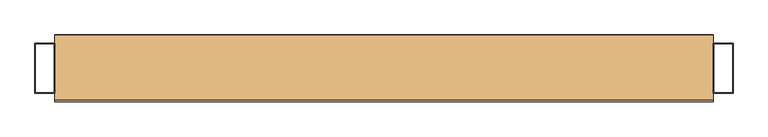
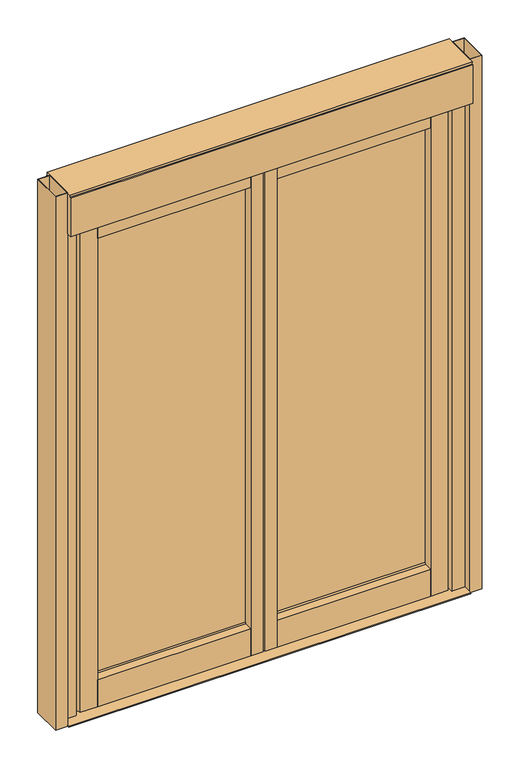
"""IFC4 building model written with IfcOpenShell, lengths in millimetres: door geometry."""

from ifc_helpers import new_model, si_unit, point, frame, frame_2d, origin, origin_with_axes, place, context, project, spatial, polyline, circle_curve, trimmed, segment, composite_curve, outline, extrude, source, transform, mapped, element, save
from ifc_brep_helpers import plane_surface, revolved_surface, advanced_brep


def door_8d15b1d3(model_context):
    return source(origin(), model_context, "Body", "SolidModel", [
        extrude(outline(composite_curve([segment(polyline([(622.0165313, -25.0), (622.0165313, 24.9979293), (686.5286975, 24.9979293)]), True, "CONTINUOUS"), segment(trimmed(circle_curve(frame_2d((631.0682418, -0.0146792)), 60.8398943), [point((686.5286975, 24.9979293))], [point((691.9081361, -0.0146917))], False, "CARTESIAN"), True, "CONTINUOUS"), segment(trimmed(circle_curve(frame_2d((631.0682418, -0.0146808)), 60.8398943), [point((691.9081361, -0.0146917))], [point((686.5409969, -25.0))], False, "CARTESIAN"), True, "CONTINUOUS"), segment(polyline([(686.5409969, -25.0), (622.0165313, -25.0)]), True, "CONTINUOUS")], self_intersect=False)), frame((0.0, 0.0, 12.0), z_axis=(0.0, 0.0, 1.0), x_axis=(1.0, 0.0, 0.0)), (0.0, 0.0, 1.0), 1926.0),
        extrude(outline(polyline([(4.5165313, -24.9979293), (4.5165313, 24.9979293), (49.5165313, 24.9979293), (49.5165313, -24.9979293), (4.5165313, -24.9979293)])), frame((0.0, 0.0, 12.0), z_axis=(0.0, 0.0, 1.0), x_axis=(1.0, 0.0, 0.0)), (0.0, 0.0, 1.0), 1926.0),
        extrude(outline(composite_curve([segment(polyline([(-620.0165313, 25.0), (-620.0165313, -24.9979293), (-684.5286975, -24.9979293)]), True, "CONTINUOUS"), segment(trimmed(circle_curve(frame_2d((-629.0682418, 0.0146792)), 60.8398943), [point((-684.5286975, -24.9979293))], [point((-689.9081361, 0.0146816))], False, "CARTESIAN"), True, "CONTINUOUS"), segment(trimmed(circle_curve(frame_2d((-629.0682418, 0.0146808)), 60.8398943), [point((-689.9081361, 0.0146816))], [point((-684.5409969, 25.0))], False, "CARTESIAN"), True, "CONTINUOUS"), segment(polyline([(-684.5409969, 25.0), (-620.0165313, 25.0)]), True, "CONTINUOUS")], self_intersect=False)), frame((0.0, 0.0, 12.0), z_axis=(0.0, 0.0, 1.0), x_axis=(1.0, 0.0, 0.0)), (0.0, 0.0, 1.0), 1926.0),
        extrude(outline(polyline([(-2.5165313, -25.0), (-47.5165313, -25.0), (-47.5165313, 25.0), (-2.5165313, 25.0), (-2.5165313, -25.0)])), frame((0.0, 0.0, 12.0), z_axis=(0.0, 0.0, 1.0), x_axis=(1.0, 0.0, 0.0)), (0.0, 0.0, 1.0), 1926.0),
        extrude(outline(polyline([(750.0, 22.1903618), (750.0, -64.1323759), (-750.0, -64.1323759), (-750.0, 22.1903618), (750.0, 22.1903618)])), frame((0.0, 0.0, -0.0536091), z_axis=(0.0, 0.0, 1.0), x_axis=(1.0, 0.0, 0.0)), (0.0, 0.0, 1.0), 4.0533649),
        extrude(outline(polyline([(-795.0, 56.9501305), (-750.0, 56.9501305), (-750.0, -56.9501305), (-795.0, -56.9501305), (-795.0, 56.9501305)]), holes=[polyline([(-793.0, -54.9501305), (-752.0, -54.9501305), (-752.0, 54.9501305), (-793.0, 54.9501305), (-793.0, -54.9501305)])]), origin_with_axes(), (0.0, 0.0, 1.0), 2100.0),
        extrude(outline(polyline([(795.0, 56.9501305), (795.0, -56.9501305), (750.0, -56.9501305), (750.0, 56.9501305), (795.0, 56.9501305)]), holes=[polyline([(793.0, -54.9501305), (793.0, 54.9501305), (752.0, 54.9501305), (752.0, -54.9501305), (793.0, -54.9501305)])]), origin_with_axes(), (0.0, 0.0, 1.0), 2100.0),
        extrude(outline(polyline([(-25.0037342, 12.0), (-25.0037342, 117.8752671), (7.4860808, 117.8752671), (10.6022281, 123.9926379), (10.6022281, 105.5592695), (16.6022281, 105.5592695), (16.6022281, 121.7335018), (18.5689602, 117.8640927), (24.9905166, 117.8640927), (24.9905166, 12.0), (-25.0037342, 12.0)])), frame((49.5165313, 0.0, 0.0), z_axis=(1.0, 0.0, 0.0), x_axis=(0.0, 1.0, 0.0)), (0.0, 0.0, 1.0), 572.5),
        extrude(outline(polyline([(622.0165313, 16.6022281), (622.0165313, 10.6022281), (49.5165313, 10.6022281), (49.5165313, 16.6022281), (622.0165313, 16.6022281)])), frame((0.0, 0.0, 105.5592695), z_axis=(0.0, 0.0, 1.0), x_axis=(1.0, 0.0, 0.0)), (0.0, 0.0, 1.0), 1769.0402689),
        advanced_brep(
        [(49.5165313, -24.9979293, 1938.0036364), (49.5165313, 24.9905166, 1938.0036364), (49.5165313, 24.9905166, 1856.3987159), (49.5165313, 23.4794939, 1856.3987159), (49.5165313, 16.6022281, 1851.805727), (49.5165313, 16.6022281, 1874.5995385), (49.5165313, 10.6022281, 1874.5995385), (49.5165313, 10.6022281, 1851.0557384), (49.5165313, -3.2995978, 1856.3744221), (49.5165313, -24.9979293, 1856.3987159), (622.0165313, -24.9979293, 1938.0036364), (622.0165313, -24.9979293, 1856.3987159), (622.0165313, -3.2995978, 1856.3987159), (622.0165313, 10.6022281, 1851.0557384), (622.0165313, 10.6022281, 1874.5995385), (622.0165313, 16.6022281, 1874.5995385), (622.0165313, 16.6022281, 1851.805727), (622.0165313, 23.4794939, 1856.3987159), (622.0165313, 24.9905166, 1856.3987159), (622.0165313, 24.9905166, 1938.0036364)],
        [
            (0, 1),
            (1, 2),
            (2, 3),
            (3, 4),
            (4, 5),
            (5, 6),
            (6, 7),
            (7, 8, circle_curve(frame((49.5165313, -3.2995978, 1835.5469793), z_axis=(1.0, 0.0, 0.0), x_axis=(0.0, 0.0, 1.0)), 20.8274428)),
            (8, 9),
            (9, 0),
            (10, 11),
            (11, 12),
            (12, 13, circle_curve(frame((622.0165313, -3.2995978, 1835.5469793), z_axis=(-1.0, 0.0, 0.0), x_axis=(0.0, 0.0, 1.0)), 20.8274428)),
            (13, 14),
            (14, 15),
            (15, 16),
            (16, 17),
            (17, 18),
            (18, 19),
            (19, 10),
            (0, 10),
            (19, 1),
            (18, 2),
            (17, 3),
            (16, 4),
            (15, 5),
            (14, 6),
            (13, 7),
            (12, 8),
            (11, 9),
        ],
        [
            plane_surface(frame((49.5165313, 0.0, 1881.9871051), z_axis=(-1.0, 0.0, 0.0), x_axis=(0.0, -1.0, 0.0))),
            plane_surface(frame((622.0165313, 0.0, 1881.9871051), z_axis=(1.0, 0.0, 0.0), x_axis=(0.0, -1.0, 0.0))),
            plane_surface(frame((49.5165313, -24.9979293, 1938.0036364), z_axis=(0.0, 0.0, 1.0), x_axis=(1.0, 0.0, 0.0))),
            plane_surface(frame((49.5165313, 24.9905166, 1938.0036364), z_axis=(0.0, 1.0, 0.0), x_axis=(1.0, 0.0, 0.0))),
            plane_surface(frame((49.5165313, 24.9905166, 1856.3987159), z_axis=(0.0, 0.0, -1.0), x_axis=(1.0, 0.0, 0.0))),
            plane_surface(frame((49.5165313, 23.4794939, 1856.3987159), z_axis=(0.0, 0.5553818601387872, -0.8315954481770452), x_axis=(1.0, 0.0, 0.0))),
            plane_surface(frame((49.5165313, 16.6022281, 1851.805727), z_axis=(0.0, -1.0, 0.0), x_axis=(1.0, 0.0, 0.0))),
            plane_surface(frame((49.5165313, 16.6022281, 1874.5995385), z_axis=(0.0, 0.0, -1.0), x_axis=(1.0, 0.0, 0.0))),
            plane_surface(frame((49.5165313, 10.6022281, 1874.5995385), z_axis=(0.0, 1.0, 0.0), x_axis=(1.0, 0.0, 0.0))),
            revolved_surface(polyline([(622.0165313, -3.2995978, 1856.3744221), (49.5165313, -3.2995978, 1856.3744221)]), (49.5165313, -3.2995978, 1835.5469793), (1.0, 0.0, 0.0)),
            plane_surface(frame((49.5165313, -3.2995978, 1856.3987159), z_axis=(0.0, 0.0, -1.0), x_axis=(1.0, 0.0, 0.0))),
            plane_surface(frame((49.5165313, -24.9979293, 1856.3987159), z_axis=(0.0, -1.0, 0.0), x_axis=(1.0, 0.0, 0.0))),
        ],
        [
            (0, [[1, 2, 3, 4, 5, 6, 7, 8, 9, 10]]),
            (1, [[11, 12, 13, 14, 15, 16, 17, 18, 19, 20]]),
            (2, [[-1, 21, -20, 22]]),
            (3, [[-2, -22, -19, 23]]),
            (4, [[-3, -23, -18, 24]]),
            (5, [[-4, -24, -17, 25]]),
            (6, [[-5, -25, -16, 26]]),
            (7, [[-6, -26, -15, 27]]),
            (8, [[-7, -27, -14, 28]]),
            (9, [[-8, -28, -13, 29]]),
            (10, [[-9, -29, -12, 30]]),
            (11, [[-10, -30, -11, -21]]),
        ],
    ),
        extrude(outline(composite_curve([segment(polyline([(76.0105783, 2088.7607941), (76.0105783, 1938.0), (-76.0105783, 1938.0), (-76.0105783, 2090.0), (-70.9327225, 2090.0)]), True, "CONTINUOUS"), segment(trimmed(circle_curve(frame_2d((-82.5783531, 2093.9446224)), 12.2955585), [point((-70.9327225, 2090.0))], [point((-71.8772708, 2100.0))], True, "CARTESIAN"), True, "CONTINUOUS"), segment(polyline([(-71.8772708, 2100.0), (75.7238726, 2100.0)]), True, "CONTINUOUS"), segment(trimmed(circle_curve(frame_2d((86.4249549, 2093.9446224)), 12.2955585), [point((75.7238726, 2100.0))], [point((74.7834078, 2089.9879646))], True, "CARTESIAN"), True, "CONTINUOUS"), segment(trimmed(circle_curve(frame_2d((74.7834078, 2088.7607941)), 1.2271705), [point((74.7834078, 2089.9879646))], [point((76.0105783, 2088.7607941))], False, "CARTESIAN"), True, "CONTINUOUS")], self_intersect=False)), frame((-750.0, 0.0, 0.0), z_axis=(1.0, 0.0, 0.0), x_axis=(0.0, 1.0, 0.0)), (0.0, 0.0, 1.0), 1500.0),
        extrude(outline(polyline([(-620.0165313, 10.6154457), (-620.0165313, 16.6154457), (-47.5165313, 16.6154457), (-47.5165313, 10.6154457), (-620.0165313, 10.6154457)])), frame((0.0, 0.0, 105.5592695), z_axis=(0.0, 0.0, 1.0), x_axis=(1.0, 0.0, 0.0)), (0.0, 0.0, 1.0), 1769.0402689),
        extrude(outline(polyline([(25.0037342, 11.9024329), (-24.9905166, 11.9024329), (-24.9905166, 117.8752671), (7.4992984, 117.8752671), (10.6154457, 123.9926379), (10.6154457, 105.5592695), (16.6154457, 105.5592695), (16.6154457, 121.7335018), (18.5821778, 117.8640927), (25.0037342, 117.8640927), (25.0037342, 11.9024329)])), frame((-620.0165313, 0.0, 0.0), z_axis=(1.0, 0.0, 0.0), x_axis=(0.0, 1.0, 0.0)), (0.0, 0.0, 1.0), 572.5),
        advanced_brep(
        [(-47.5165313, -24.9979293, 1938.0036364), (-47.5165313, -24.9979293, 1856.3987159), (-47.5165313, -3.2995978, 1856.3987159), (-47.5165313, 10.6022281, 1851.0557384), (-47.5165313, 10.6022281, 1874.5995385), (-47.5165313, 16.6022281, 1874.5995385), (-47.5165313, 16.6022281, 1851.805727), (-47.5165313, 23.4794939, 1856.3987159), (-47.5165313, 24.9905166, 1856.3987159), (-47.5165313, 24.9905166, 1938.0036364), (-620.0165313, -24.9979293, 1938.0036364), (-620.0165313, 24.9905166, 1938.0036364), (-620.0165313, 24.9905166, 1856.3987159), (-620.0165313, 23.4794939, 1856.3987159), (-620.0165313, 16.6022281, 1851.805727), (-620.0165313, 16.6022281, 1874.5995385), (-620.0165313, 10.6022281, 1874.5995385), (-620.0165313, 10.6022281, 1851.0557384), (-620.0165313, -3.2995978, 1856.3744221), (-620.0165313, -24.9979293, 1856.3987159)],
        [
            (0, 1),
            (1, 2),
            (2, 3, circle_curve(frame((-47.5165313, -3.2995978, 1835.5469793), z_axis=(-1.0, 0.0, 0.0), x_axis=(0.0, 0.0, -1.0)), 20.8274428)),
            (3, 4),
            (4, 5),
            (5, 6),
            (6, 7),
            (7, 8),
            (8, 9),
            (9, 0),
            (10, 11),
            (11, 12),
            (12, 13),
            (13, 14),
            (14, 15),
            (15, 16),
            (16, 17),
            (17, 18, circle_curve(frame((-620.0165313, -3.2995978, 1835.5469793), z_axis=(1.0, 0.0, 0.0), x_axis=(0.0, 0.0, -1.0)), 20.8274428)),
            (18, 19),
            (19, 10),
            (0, 10),
            (19, 1),
            (18, 2),
            (17, 3),
            (16, 4),
            (15, 5),
            (14, 6),
            (13, 7),
            (12, 8),
            (11, 9),
        ],
        [
            plane_surface(frame((-47.5165313, 0.0, 1881.9871051), z_axis=(1.0, 0.0, 0.0), x_axis=(0.0, -1.0, 0.0))),
            plane_surface(frame((-620.0165313, 0.0, 1881.9871051), z_axis=(-1.0, 0.0, 0.0), x_axis=(0.0, -1.0, 0.0))),
            plane_surface(frame((-47.5165313, -24.9979293, 1938.0036364), z_axis=(0.0, -1.0, 0.0), x_axis=(-1.0, 0.0, 0.0))),
            plane_surface(frame((-47.5165313, -24.9979293, 1856.3987159), z_axis=(0.0, 0.0, -1.0), x_axis=(-1.0, 0.0, 0.0))),
            revolved_surface(polyline([(-620.0165313, -3.2995978, 1814.7195365), (-47.5165313, -3.2995978, 1814.7195365)]), (-47.5165313, -3.2995978, 1835.5469793), (-1.0, 0.0, 0.0)),
            plane_surface(frame((-47.5165313, 10.6022281, 1851.0557384), z_axis=(0.0, 1.0, 0.0), x_axis=(-1.0, 0.0, 0.0))),
            plane_surface(frame((-47.5165313, 10.6022281, 1874.5995385), z_axis=(0.0, 0.0, -1.0), x_axis=(-1.0, 0.0, 0.0))),
            plane_surface(frame((-47.5165313, 16.6022281, 1874.5995385), z_axis=(0.0, -1.0, 0.0), x_axis=(-1.0, 0.0, 0.0))),
            plane_surface(frame((-47.5165313, 16.6022281, 1851.805727), z_axis=(0.0, 0.5553818601387872, -0.8315954481770452), x_axis=(-1.0, 0.0, 0.0))),
            plane_surface(frame((-47.5165313, 23.4794939, 1856.3987159), z_axis=(0.0, 0.0, -1.0), x_axis=(-1.0, 0.0, 0.0))),
            plane_surface(frame((-47.5165313, 24.9905166, 1856.3987159), z_axis=(0.0, 1.0, 0.0), x_axis=(-1.0, 0.0, 0.0))),
            plane_surface(frame((-47.5165313, 24.9905166, 1938.0036364), z_axis=(0.0, 0.0, 1.0), x_axis=(-1.0, 0.0, 0.0))),
        ],
        [
            (0, [[1, 2, 3, 4, 5, 6, 7, 8, 9, 10]]),
            (1, [[11, 12, 13, 14, 15, 16, 17, 18, 19, 20]]),
            (2, [[-1, 21, -20, 22]]),
            (3, [[-2, -22, -19, 23]]),
            (4, [[-3, -23, -18, 24]]),
            (5, [[-4, -24, -17, 25]]),
            (6, [[-5, -25, -16, 26]]),
            (7, [[-6, -26, -15, 27]]),
            (8, [[-7, -27, -14, 28]]),
            (9, [[-8, -28, -13, 29]]),
            (10, [[-9, -29, -12, 30]]),
            (11, [[-10, -30, -11, -21]]),
        ],
    ),
        extrude(outline(polyline([(750.0, -25.0173222), (700.5075001, -25.0173222), (700.5075001, 24.9826778), (750.0, 24.9826778), (750.0, -25.0173222)])), frame((0.0, 0.0, 4.0), z_axis=(0.0, 0.0, 1.0), x_axis=(1.0, 0.0, 0.0)), (0.0, 0.0, 1.0), 1934.0),
        extrude(outline(polyline([(-750.0, -25.0173222), (-750.0, 24.9826778), (-699.9501324, 24.9826778), (-699.9501324, -25.0173222), (-750.0, -25.0173222)])), frame((0.0, 0.0, 4.0), z_axis=(0.0, 0.0, 1.0), x_axis=(1.0, 0.0, 0.0)), (0.0, 0.0, 1.0), 1934.0),
    ])


if __name__ == "__main__":
    model = new_model("IFC4")
    model_context = context("Model", 3, world=origin())
    ifc_project = project(units=[si_unit("LENGTHUNIT", "METRE", prefix="MILLI")], contexts=[model_context])
    site = spatial("IfcSite", under=ifc_project)
    building = spatial("IfcBuilding", under=site)
    placement = place(None, origin())
    door_shape = door_8d15b1d3(model_context)
    element("IfcDoor", 1, at=placement, inside=building, context=model_context, shape_type="MappedRepresentation", body=[
        mapped(door_shape, transform((0.0, 0.0, 0.0), x_axis=(1.0, 0.0, 0.0), y_axis=(0.0, 1.0, 0.0), z_axis=(0.0, 0.0, 1.0))),
    ])
    save(model, "model.ifc")
